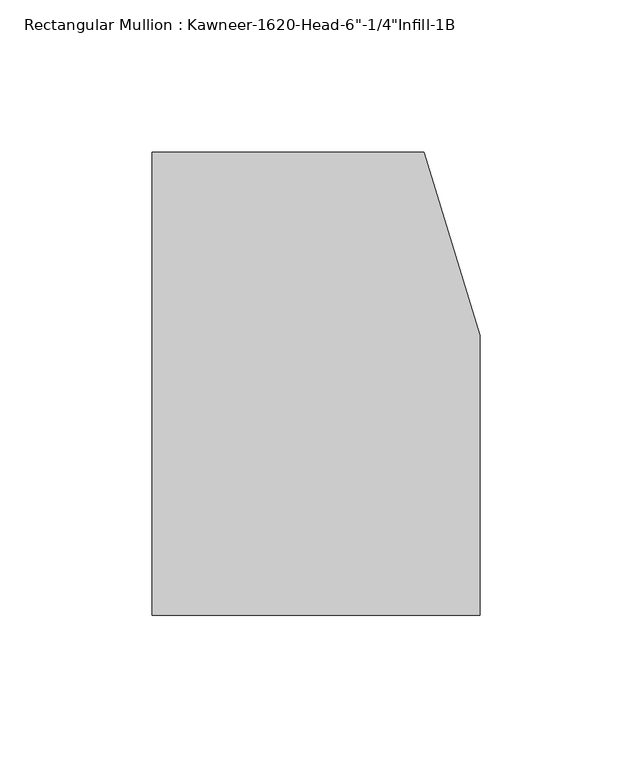
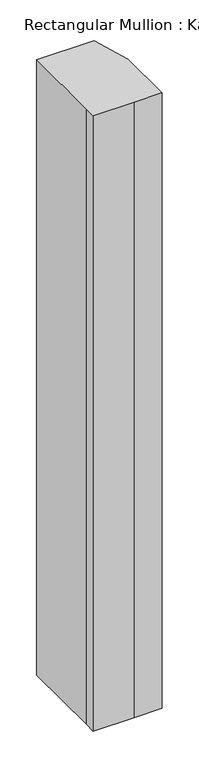
"""IFC4 building model written with IfcOpenShell, lengths in millimetres: member geometry."""

from ifc_helpers import new_model, si_unit, frame, origin, place, context, project, spatial, polyline, outline, extrude, source, transform, mapped, element, save


def member_2723ad93(model_context):
    return source(origin(), model_context, "Body", "SweptSolid", [
        extrude(outline(polyline([(-107.95, -10.3845466), (-107.95, 123.825), (-18.3538271, 123.825), (0.0, 63.5), (0.0, -28.575), (-44.1519366, -28.575), (-107.95, -28.575), (-107.95, -10.3845466)])), frame((0.0, 0.0, -1016.0), z_axis=(0.0, 0.0, 1.0), x_axis=(1.0, 0.0, 0.0)), (0.0, 0.0, 1.0), 1016.0),
    ])


if __name__ == "__main__":
    model = new_model("IFC4")
    model_context = context("Model", 3, world=origin())
    ifc_project = project(units=[si_unit("LENGTHUNIT", "METRE", prefix="MILLI")], contexts=[model_context])
    site = spatial("IfcSite", under=ifc_project)
    building = spatial("IfcBuilding", under=site)
    placement = place(None, origin())
    member_shape = member_2723ad93(model_context)
    element("IfcMember", 1, ObjectType="Rectangular Mullion : Kawneer-1620-Head-6\"-1/4\"Infill-1B", at=placement, inside=building, context=model_context, shape_type="MappedRepresentation", body=[
        mapped(member_shape, transform((0.0, 0.0, 0.0), x_axis=(1.0, 0.0, 0.0), y_axis=(0.0, 1.0, 0.0), z_axis=(0.0, 0.0, 1.0))),
    ])
    save(model, "model.ifc")
